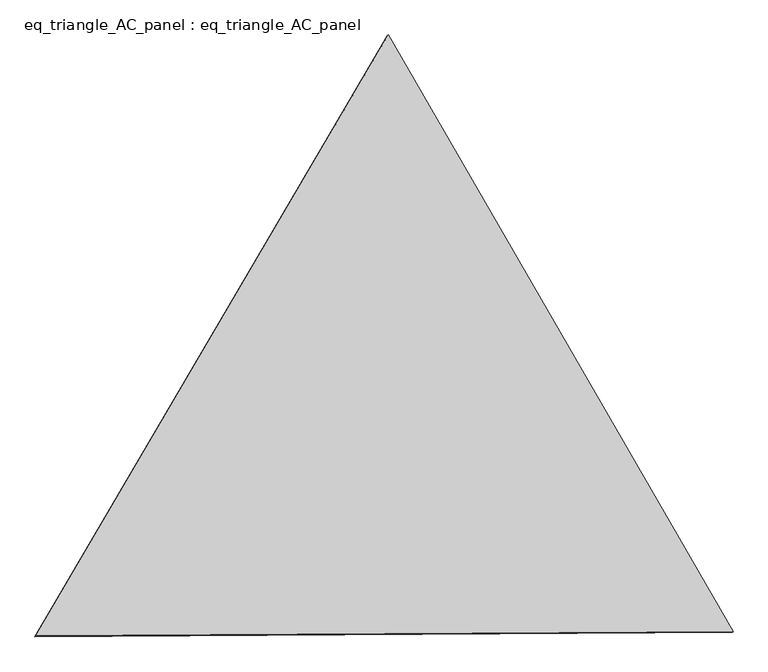
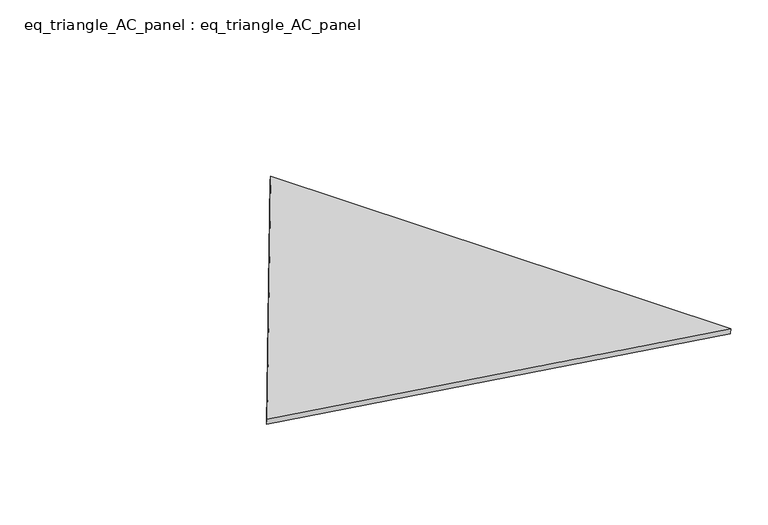
"""IFC4 building model written with IfcOpenShell, lengths in millimetres: proxy geometry, eq_triangle_AC_panel : eq_triangle_AC_panel."""

from ifc_helpers import new_model, si_unit, frame, origin, place, context, project, spatial, polyline, outline, extrude, source, transform, mapped, element, save


def eq_triangle_ac_panel_eq_triangle_ac_panel_0381f855(model_context):
    return source(origin(), model_context, "Body", "SweptSolid", [
        extrude(outline(polyline([(-2017.6126472, 1198.9386033), (2017.4478799, 1198.9386033), (0.164767, -2397.8772068), (-2017.6126472, 1198.9386033)])), frame((0.0038051, 527.9290861, 89.8240019), z_axis=(0.14526328518058193, 0.0838657028180219, 0.9858321976225896), x_axis=(0.49994410392955557, -0.8660576729424535, 9.1420008512833e-06)), (0.0, 0.0, 1.0), 43.8306294),
    ])


if __name__ == "__main__":
    model = new_model("IFC4")
    model_context = context("Model", 3, world=origin())
    ifc_project = project(units=[si_unit("LENGTHUNIT", "METRE", prefix="MILLI")], contexts=[model_context])
    site = spatial("IfcSite", under=ifc_project)
    building = spatial("IfcBuilding", under=site)
    placement = place(None, origin())
    eq_triangle_ac_panel_eq_triangle_ac_panel_shape = eq_triangle_ac_panel_eq_triangle_ac_panel_0381f855(model_context)
    element("IfcBuildingElementProxy", 1, Name="eq_triangle_AC_panel : eq_triangle_AC_panel", ObjectType="eq_triangle_AC_panel : eq_triangle_AC_panel", at=placement, inside=building, context=model_context, shape_type="MappedRepresentation", body=[
        mapped(eq_triangle_ac_panel_eq_triangle_ac_panel_shape, transform((0.0, 0.0, 0.0), x_axis=(1.0, 0.0, 0.0), y_axis=(0.0, 1.0, 0.0), z_axis=(0.0, 0.0, 1.0))),
    ])
    save(model, "model.ifc")
